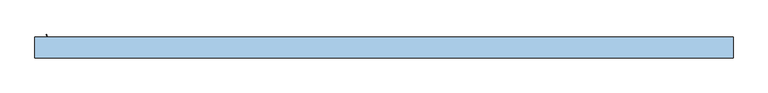
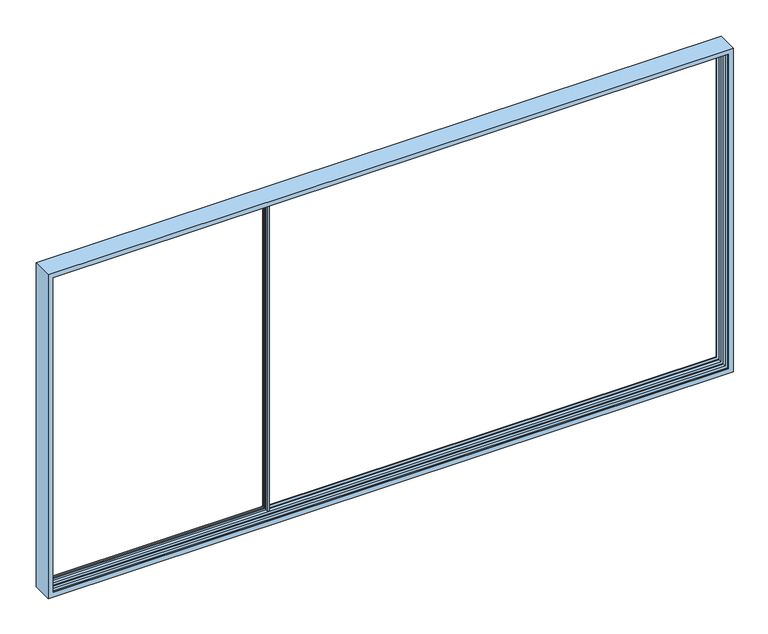
"""IFC4 building model written with IfcOpenShell, lengths in millimetres: window geometry."""

from ifc_helpers import new_model, si_unit, frame, origin, place, context, project, spatial, polyline, circle_curve, faceted_brep, source, transform, mapped, element, save
from ifc_brep_helpers import plane_surface, cylinder_surface, revolved_surface, advanced_brep


def window_8bbed00f(model_context):
    return source(origin(), model_context, "Body", "SolidModel", [
        advanced_brep(
        [(-1820.0, 71.9, 859.0), (-1820.0, 75.1, 859.0), (-1820.0, 75.1, 832.5), (-1820.0, 38.7, 832.5), (-1820.0, 38.7, 859.0), (-1820.0, 41.9, 859.0), (-1820.0, 41.9, 847.0000675), (-1820.0, 71.9, 847.0000675), (-1808.3, 71.9, 859.0), (-1808.3, 75.1, 859.0), (-1735.0, 75.1, 859.0), (-1735.0, 71.9, 859.0), (140.0, 71.9, 859.0), (140.0, 75.1, 859.0), (-1808.3, 75.1, 3741.0), (-1820.0, 75.1, 3741.0), (-1820.0, 75.1, 3765.0), (160.0, 75.1, 3765.0), (160.0, 75.1, 832.5), (140.0, 75.1, 3741.0), (-1735.0, 75.1, 3741.0), (-1737.0, 75.1, 3752.9999325), (-1742.3815605, 75.1, 3752.9999325), (-1742.3815605, 75.1, 847.0000675), (-1737.0, 75.1, 847.0000675), (160.0, 38.7, 832.5), (160.0, 38.7, 844.0), (150.0, 38.7, 844.0), (150.0, 38.7, 3756.0), (160.0, 38.7, 3756.0), (160.0, 38.7, 3765.0), (-1820.0, 38.7, 3765.0), (-1820.0, 38.7, 3741.0), (-1808.3, 38.7, 3741.0), (-1808.3, 38.7, 859.0), (-1735.0, 38.7, 859.0), (-1735.0, 38.7, 3741.0), (140.0, 38.7, 3741.0), (140.0, 38.7, 859.0), (-1742.3815605, 38.7, 3752.9999325), (-1737.0, 38.7, 3752.9999325), (-1737.0, 38.7, 847.0000675), (-1742.3815605, 38.7, 847.0000675), (-1808.3, 41.9, 859.0), (-1735.0, 41.9, 859.0), (140.0, 41.9, 859.0), (-1808.3, 41.9, 847.0000675), (152.0, 41.9, 847.0000675), (-1749.0, 41.9, 847.0000675), (-1749.0, 41.9, 3752.9999325), (152.0, 41.9, 3752.9999325), (140.0, 41.9, 3741.0), (-1735.0, 41.9, 3741.0), (-1820.0, 41.9, 3741.0), (-1820.0, 41.9, 3752.9999325), (-1808.3, 41.9, 3752.9999325), (-1808.3, 41.9, 3741.0), (-1808.3, 71.9, 847.0000675), (-1749.0, 71.9, 847.0000675), (152.0, 71.9, 847.0000675), (152.0, 71.9, 3752.9999325), (-1749.0, 71.9, 3752.9999325), (-1735.0, 71.9, 3741.0), (140.0, 71.9, 3741.0), (-1820.0, 71.9, 3752.9999325), (-1820.0, 71.9, 3741.0), (-1808.3, 71.9, 3741.0), (-1808.3, 71.9, 3752.9999325), (160.0, 12.1, 3756.0), (160.0, 12.1, 844.0), (150.0, 12.1, 3756.0), (150.0, 12.1, 844.0), (-1739.4977754, 77.2730879, 847.0000675), (-1739.4977754, 77.2730879, 3752.9999325), (-1738.126431, 82.0555341, 847.0000675), (-1738.239631, 84.0330365, 847.0000675), (-1743.9747822, 99.4432139, 847.0000675), (-1743.5, 100.1, 847.0000675), (-1740.7399611, 100.1, 847.0000675), (-1739.7836563, 99.3923717, 847.0000675), (-1735.1310857, 84.174499, 847.0000675), (-1735.1310857, 81.6176786, 847.0000675), (-1735.1310857, 32.1823214, 847.0000675), (-1735.1310857, 29.625501, 847.0000675), (-1739.7836563, 14.4076283, 847.0000675), (-1740.7399611, 13.7, 847.0000675), (-1743.5, 13.7, 847.0000675), (-1743.9747822, 14.3567861, 847.0000675), (-1738.239631, 29.7669635, 847.0000675), (-1738.126431, 31.7444659, 847.0000675), (-1739.4977754, 36.5269121, 847.0000675), (-1735.1310857, 81.6176786, 3752.9999325), (-1735.1310857, 32.1823214, 3752.9999325), (-1739.4977754, 36.5269121, 3752.9999325), (-1738.126431, 82.0555341, 3752.9999325), (-1738.239631, 84.0330365, 3752.9999325), (-1743.9747822, 99.4432139, 3752.9999325), (-1743.5, 100.1, 3752.9999325), (-1740.7399611, 100.1, 3752.9999325), (-1739.7836563, 99.3923717, 3752.9999325), (-1735.1310857, 84.174499, 3752.9999325), (-1735.1310857, 29.625501, 3752.9999325), (-1739.7836563, 14.4076283, 3752.9999325), (-1740.7399611, 13.7, 3752.9999325), (-1743.5, 13.7, 3752.9999325), (-1743.9747822, 14.3567861, 3752.9999325), (-1738.239631, 29.7669635, 3752.9999325), (-1738.126431, 31.7444659, 3752.9999325)],
        [
            (0, 1),
            (1, 2),
            (2, 3),
            (3, 4),
            (4, 5),
            (5, 6),
            (6, 7),
            (7, 0),
            (0, 8),
            (8, 9),
            (9, 1),
            (10, 11),
            (11, 12),
            (12, 13),
            (13, 10),
            (9, 14),
            (14, 15),
            (15, 16),
            (16, 17),
            (17, 18),
            (18, 2),
            (13, 19),
            (19, 20),
            (20, 10),
            (21, 22),
            (22, 23),
            (23, 24),
            (24, 21),
            (18, 25),
            (25, 3),
            (25, 26),
            (26, 27),
            (27, 28),
            (28, 29),
            (29, 30),
            (30, 31),
            (31, 32),
            (32, 33),
            (33, 34),
            (34, 4),
            (35, 36),
            (36, 37),
            (37, 38),
            (38, 35),
            (39, 40),
            (40, 41),
            (41, 42),
            (42, 39),
            (34, 43),
            (43, 5),
            (44, 35),
            (38, 45),
            (45, 44),
            (43, 46),
            (46, 6),
            (47, 48),
            (48, 49),
            (49, 50),
            (50, 47),
            (45, 51),
            (51, 52),
            (52, 44),
            (53, 54),
            (54, 55),
            (55, 56),
            (56, 53),
            (46, 57),
            (57, 7),
            (58, 48),
            (47, 59),
            (59, 58),
            (57, 8),
            (59, 60),
            (60, 61),
            (61, 58),
            (11, 62),
            (62, 63),
            (63, 12),
            (64, 65),
            (65, 66),
            (66, 67),
            (67, 64),
            (17, 30),
            (29, 68),
            (68, 69),
            (69, 26),
            (68, 70),
            (70, 71),
            (71, 69),
            (71, 27),
            (33, 56),
            (55, 67),
            (66, 14),
            (20, 62),
            (63, 19),
            (72, 23, circle_curve(frame((-1742.3815605, 78.1, 847.0000675), z_axis=(0.0, 0.0, -1.0), x_axis=(-1.0, 0.0, 0.0)), 3.0)),
            (22, 73, circle_curve(frame((-1742.3815605, 78.1, 3752.9999325), z_axis=(0.0, 0.0, 1.0), x_axis=(-1.0, 0.0, 0.0)), 3.0)),
            (73, 72),
            (72, 74),
            (74, 75, circle_curve(frame((-1741.0102161, 82.8824462, 847.0000675), z_axis=(0.0, 0.0, 1.0), x_axis=(-1.0, 0.0, 0.0)), 3.0)),
            (75, 76, circle_curve(frame((-1534.8068415, 168.5162025, 847.0000675), z_axis=(0.0, 0.0, -1.0), x_axis=(-1.0, 0.0, 0.0)), 220.2777909)),
            (76, 77, circle_curve(frame((-1743.5, 99.6, 847.0000675), z_axis=(0.0, 0.0, -1.0), x_axis=(-1.0, 0.0, 0.0)), 0.5)),
            (77, 78),
            (78, 79, circle_curve(frame((-1740.7399611, 99.1, 847.0000675), z_axis=(0.0, 0.0, -1.0), x_axis=(-1.0, 0.0, 0.0)), 1.0)),
            (79, 80),
            (80, 81, circle_curve(frame((-1739.5894319, 82.8960888, 847.0000675), z_axis=(0.0, 0.0, -1.0), x_axis=(-1.0, 0.0, 0.0)), 4.638015)),
            (81, 24),
            (41, 82),
            (82, 83, circle_curve(frame((-1739.5894319, 30.9039112, 847.0000675), z_axis=(0.0, 0.0, -1.0), x_axis=(-1.0, 0.0, 0.0)), 4.638015)),
            (83, 84),
            (84, 85, circle_curve(frame((-1740.7399611, 14.7, 847.0000675), z_axis=(0.0, 0.0, -1.0), x_axis=(-1.0, 0.0, 0.0)), 1.0)),
            (85, 86),
            (86, 87, circle_curve(frame((-1743.5, 14.2, 847.0000675), z_axis=(0.0, 0.0, -1.0), x_axis=(-1.0, 0.0, 0.0)), 0.5)),
            (87, 88, circle_curve(frame((-1534.8068415, -54.7162025, 847.0000675), z_axis=(0.0, 0.0, -1.0), x_axis=(-1.0, 0.0, 0.0)), 220.2777909)),
            (88, 89, circle_curve(frame((-1741.0102161, 30.9175538, 847.0000675), z_axis=(0.0, 0.0, 1.0), x_axis=(-1.0, 0.0, 0.0)), 3.0)),
            (89, 90),
            (90, 42, circle_curve(frame((-1742.3815605, 35.7, 847.0000675), z_axis=(0.0, 0.0, 1.0), x_axis=(-1.0, 0.0, 0.0)), 3.0)),
            (81, 91),
            (91, 21),
            (70, 28),
            (52, 36),
            (37, 51),
            (40, 92),
            (92, 82),
            (90, 93),
            (93, 39, circle_curve(frame((-1742.3815605, 35.7, 3752.9999325), z_axis=(0.0, 0.0, 1.0), x_axis=(-1.0, 0.0, 0.0)), 3.0)),
            (61, 49),
            (50, 60),
            (73, 94),
            (94, 74),
            (94, 95, circle_curve(frame((-1741.0102161, 82.8824462, 3752.9999325), z_axis=(0.0, 0.0, 1.0), x_axis=(-1.0, 0.0, 0.0)), 3.0)),
            (95, 75),
            (95, 96, circle_curve(frame((-1534.8068415, 168.5162025, 3752.9999325), z_axis=(0.0, 0.0, -1.0), x_axis=(-1.0, 0.0, 0.0)), 220.2777909)),
            (96, 76),
            (96, 97, circle_curve(frame((-1743.5, 99.6, 3752.9999325), z_axis=(0.0, 0.0, -1.0), x_axis=(-1.0, 0.0, 0.0)), 0.5)),
            (97, 77),
            (97, 98),
            (98, 78),
            (98, 99, circle_curve(frame((-1740.7399611, 99.1, 3752.9999325), z_axis=(0.0, 0.0, -1.0), x_axis=(-1.0, 0.0, 0.0)), 1.0)),
            (99, 79),
            (99, 100),
            (100, 80),
            (100, 91, circle_curve(frame((-1739.5894319, 82.8960888, 3752.9999325), z_axis=(0.0, 0.0, -1.0), x_axis=(-1.0, 0.0, 0.0)), 4.638015)),
            (92, 101, circle_curve(frame((-1739.5894319, 30.9039112, 3752.9999325), z_axis=(0.0, 0.0, -1.0), x_axis=(-1.0, 0.0, 0.0)), 4.638015)),
            (101, 83),
            (101, 102),
            (102, 84),
            (102, 103, circle_curve(frame((-1740.7399611, 14.7, 3752.9999325), z_axis=(0.0, 0.0, -1.0), x_axis=(-1.0, 0.0, 0.0)), 1.0)),
            (103, 85),
            (103, 104),
            (104, 86),
            (104, 105, circle_curve(frame((-1743.5, 14.2, 3752.9999325), z_axis=(0.0, 0.0, -1.0), x_axis=(-1.0, 0.0, 0.0)), 0.5)),
            (105, 87),
            (105, 106, circle_curve(frame((-1534.8068415, -54.7162025, 3752.9999325), z_axis=(0.0, 0.0, -1.0), x_axis=(-1.0, 0.0, 0.0)), 220.2777909)),
            (106, 88),
            (106, 107, circle_curve(frame((-1741.0102161, 30.9175538, 3752.9999325), z_axis=(0.0, 0.0, 1.0), x_axis=(-1.0, 0.0, 0.0)), 3.0)),
            (107, 89),
            (107, 93),
            (16, 31),
            (65, 15),
            (64, 54),
            (53, 32),
        ],
        [
            plane_surface(frame((-1820.0, 75.1, 859.0), z_axis=(-1.0, 0.0, 0.0), x_axis=(0.0, 1.0, 0.0))),
            plane_surface(frame((-1820.0, 71.9, 859.0), z_axis=(0.0, 0.0, 1.0), x_axis=(1.0, 0.0, 0.0))),
            plane_surface(frame((-1820.0, 75.1, 859.0), z_axis=(0.0, 1.0, 0.0), x_axis=(1.0, 0.0, 0.0))),
            plane_surface(frame((-1820.0, 75.1, 832.5), z_axis=(0.0, 0.0, -1.0), x_axis=(1.0, 0.0, 0.0))),
            plane_surface(frame((-1820.0, 38.7, 832.5), z_axis=(0.0, -1.0, 0.0), x_axis=(1.0, 0.0, 0.0))),
            plane_surface(frame((-1820.0, 38.7, 859.0), z_axis=(0.0, 0.0, 1.0), x_axis=(1.0, 0.0, 0.0))),
            plane_surface(frame((-1820.0, 41.9, 859.0), z_axis=(0.0, 1.0, 0.0), x_axis=(1.0, 0.0, 0.0))),
            plane_surface(frame((-1820.0, 41.9, 847.0000675), z_axis=(0.0, 0.0, 1.0), x_axis=(1.0, 0.0, 0.0))),
            plane_surface(frame((-1820.0, 71.9, 847.0000675), z_axis=(0.0, -1.0, 0.0), x_axis=(1.0, 0.0, 0.0))),
            plane_surface(frame((160.0, 75.1, 859.0), z_axis=(1.0, 0.0, 0.0), x_axis=(0.0, -1.0, 0.0))),
            plane_surface(frame((150.0, 12.1, 3756.0), z_axis=(0.0, -1.0, 0.0), x_axis=(0.0, 0.0, -1.0))),
            plane_surface(frame((140.0, 75.1, 844.0), z_axis=(0.0, 0.0, -1.0), x_axis=(1.0, 0.0, 0.0))),
            plane_surface(frame((-1808.3, 38.7, 847.0000675), z_axis=(-1.0, 0.0, 0.0), x_axis=(0.0, 0.0, 1.0))),
            plane_surface(frame((-1735.0, 75.1, 847.0000675), z_axis=(1.0, 0.0, 0.0), x_axis=(0.0, 0.0, 1.0))),
            plane_surface(frame((140.0, 75.1, 3756.0), z_axis=(-1.0, 0.0, 0.0), x_axis=(0.0, 0.0, -1.0))),
            revolved_surface(polyline([(-1745.3815605, 78.1, 3752.9999325), (-1745.3815605, 78.1, 847.0000675)]), (-1742.3815605, 78.1, 847.0000675), (0.0, 0.0, 1.0)),
            plane_surface(frame((-1735.0, 100.0, 847.0000675), z_axis=(0.0, 0.0, -1.0), x_axis=(0.0, -1.0, 0.0))),
            plane_surface(frame((-1735.1310857, 81.6176786, 847.0000675), z_axis=(0.9612616959382515, -0.27563735581723436, 0.0), x_axis=(0.0, 0.0, 1.0))),
            plane_surface(frame((150.0, 38.7, 3756.0), z_axis=(-1.0, 0.0, 0.0), x_axis=(0.0, 0.0, -1.0))),
            plane_surface(frame((-1735.0, 41.9, 847.0000675), z_axis=(1.0, 0.0, 0.0), x_axis=(0.0, 0.0, 1.0))),
            plane_surface(frame((140.0, 41.9, 3756.0), z_axis=(-1.0, 0.0, 0.0), x_axis=(0.0, 0.0, -1.0))),
            plane_surface(frame((-1737.0, 38.7, 847.0000675), z_axis=(0.9612616959382999, 0.27563735581706544, 0.0), x_axis=(0.0, 0.0, 1.0))),
            revolved_surface(polyline([(-1745.3815605, 35.7, 3752.9999325), (-1745.3815605, 35.7, 847.0000675)]), (-1742.3815605, 35.7, 847.0000675), (0.0, 0.0, 1.0)),
            plane_surface(frame((-1749.0, 71.9, 847.0000675), z_axis=(1.0, 0.0, 0.0), x_axis=(0.0, 0.0, 1.0))),
            plane_surface(frame((152.0, 71.9, 3756.0), z_axis=(-1.0, 0.0, 0.0), x_axis=(0.0, 0.0, -1.0))),
            plane_surface(frame((-1739.4977754, 77.2730879, 847.0000675), z_axis=(-0.9612616959383302, 0.27563735581695953, 0.0), x_axis=(0.0, 0.0, 1.0))),
            revolved_surface(polyline([(-1744.0102161, 82.8824462, 3752.9999325), (-1744.0102161, 82.8824462, 847.0000675)]), (-1741.0102161, 82.8824462, 847.0000675), (0.0, 0.0, 1.0)),
            cylinder_surface(frame((-1534.8068415, 168.5162025, 847.0000675), z_axis=(0.0, 0.0, -1.0), x_axis=(-1.0, 0.0, 0.0)), 220.2777909),
            cylinder_surface(frame((-1743.5, 99.6, 847.0000675), z_axis=(0.0, 0.0, -1.0), x_axis=(-1.0, 0.0, 0.0)), 0.5),
            plane_surface(frame((-1743.5, 100.1, 847.0000675), z_axis=(0.0, 1.0, 0.0), x_axis=(0.0, 0.0, 1.0))),
            cylinder_surface(frame((-1740.7399611, 99.1, 847.0000675), z_axis=(0.0, 0.0, -1.0), x_axis=(-1.0, 0.0, 0.0)), 1.0),
            plane_surface(frame((-1739.7836563, 99.3923717, 847.0000675), z_axis=(0.9563047559631117, 0.2923717047224876, 0.0), x_axis=(0.0, 0.0, 1.0))),
            cylinder_surface(frame((-1739.5894319, 82.8960888, 847.0000675), z_axis=(0.0, 0.0, -1.0), x_axis=(-1.0, 0.0, 0.0)), 4.638015),
            cylinder_surface(frame((-1739.5894319, 30.9039112, 847.0000675), z_axis=(0.0, 0.0, -1.0), x_axis=(-1.0, 0.0, 0.0)), 4.638015),
            plane_surface(frame((-1735.1310857, 29.625501, 847.0000675), z_axis=(0.9563047559631029, -0.2923717047225163, 0.0), x_axis=(0.0, 0.0, 1.0))),
            cylinder_surface(frame((-1740.7399611, 14.7, 847.0000675), z_axis=(0.0, 0.0, -1.0), x_axis=(-1.0, 0.0, 0.0)), 1.0),
            plane_surface(frame((-1740.7399611, 13.7, 847.0000675), z_axis=(0.0, -1.0, 0.0), x_axis=(0.0, 0.0, 1.0))),
            cylinder_surface(frame((-1743.5, 14.2, 847.0000675), z_axis=(0.0, 0.0, -1.0), x_axis=(-1.0, 0.0, 0.0)), 0.5),
            cylinder_surface(frame((-1534.8068415, -54.7162025, 847.0000675), z_axis=(0.0, 0.0, -1.0), x_axis=(-1.0, 0.0, 0.0)), 220.2777909),
            revolved_surface(polyline([(-1744.0102161, 30.9175538, 3752.9999325), (-1744.0102161, 30.9175538, 847.0000675)]), (-1741.0102161, 30.9175538, 847.0000675), (0.0, 0.0, 1.0)),
            plane_surface(frame((-1738.126431, 31.7444659, 847.0000675), z_axis=(-0.9612616959387865, -0.27563735581536847, 0.0), x_axis=(0.0, 0.0, 1.0))),
            plane_surface(frame((-1820.0, 38.7, 3765.0), z_axis=(0.0, 0.0, 1.0), x_axis=(1.0, 0.0, 0.0))),
            plane_surface(frame((140.0, 75.1, 3756.0), z_axis=(0.0, 0.0, 1.0), x_axis=(-1.0, 0.0, 0.0))),
            plane_surface(frame((-1820.0, 75.1, 3741.0), z_axis=(0.0, 0.0, -1.0), x_axis=(1.0, 0.0, 0.0))),
            plane_surface(frame((-1820.0, 75.1, 3765.0), z_axis=(-1.0, 0.0, 0.0), x_axis=(0.0, 1.0, 0.0))),
            plane_surface(frame((-1735.0, 100.0, 3752.9999325), z_axis=(0.0, 0.0, 1.0), x_axis=(0.0, -1.0, 0.0))),
            plane_surface(frame((-1820.0, 41.9, 3741.0), z_axis=(0.0, 0.0, -1.0), x_axis=(1.0, 0.0, 0.0))),
            plane_surface(frame((-1820.0, 71.9, 3752.9999325), z_axis=(0.0, 0.0, -1.0), x_axis=(1.0, 0.0, 0.0))),
        ],
        [
            (0, [[1, 2, 3, 4, 5, 6, 7, 8]]),
            (1, [[-1, 9, 10, 11]]),
            (1, [[12, 13, 14, 15]]),
            (2, [[-2, -11, 16, 17, 18, 19, 20, 21], [22, 23, 24, -15], [25, 26, 27, 28]]),
            (3, [[-3, -21, 29, 30]]),
            (4, [[-4, -30, 31, 32, 33, 34, 35, 36, 37, 38, 39, 40], [41, 42, 43, 44], [45, 46, 47, 48]]),
            (5, [[-5, -40, 49, 50]]),
            (5, [[51, -44, 52, 53]]),
            (6, [[-6, -50, 54, 55]]),
            (6, [[56, 57, 58, 59], [-53, 60, 61, 62]]),
            (6, [[63, 64, 65, 66]]),
            (7, [[-7, -55, 67, 68]]),
            (7, [[69, -56, 70, 71]]),
            (8, [[-8, -68, 72, -9]]),
            (8, [[-71, 73, 74, 75], [-13, 76, 77, 78]]),
            (8, [[79, 80, 81, 82]]),
            (9, [[-29, -20, 83, -35, 84, 85, 86, -31]]),
            (10, [[87, 88, 89, -85]]),
            (11, [[-89, 90, -32, -86]]),
            (12, [[-10, -72, -67, -54, -49, -39, 91, -65, 92, -81, 93, -16]]),
            (13, [[-12, -24, 94, -76]]),
            (14, [[-14, -78, 95, -22]]),
            (15, [[96, -26, 97, 98]]),
            (16, [[-96, 99, 100, 101, 102, 103, 104, 105, 106, 107, -27]]),
            (16, [[108, 109, 110, 111, 112, 113, 114, 115, 116, 117, -47]]),
            (17, [[-28, -107, 118, 119]]),
            (18, [[120, -33, -90, -88]]),
            (19, [[-51, -62, 121, -41]]),
            (20, [[-52, -43, 122, -60]]),
            (21, [[-108, -46, 123, 124]]),
            (22, [[-48, -117, 125, 126]]),
            (23, [[-57, -69, -75, 127]]),
            (24, [[-73, -70, -59, 128]]),
            (25, [[-99, -98, 129, 130]]),
            (26, [[-100, -130, 131, 132]]),
            (27, [[-101, -132, 133, 134]]),
            (28, [[-102, -134, 135, 136]]),
            (29, [[-103, -136, 137, 138]]),
            (30, [[-104, -138, 139, 140]]),
            (31, [[-105, -140, 141, 142]]),
            (32, [[-106, -142, 143, -118]]),
            (33, [[-109, -124, 144, 145]]),
            (34, [[-110, -145, 146, 147]]),
            (35, [[-111, -147, 148, 149]]),
            (36, [[-112, -149, 150, 151]]),
            (37, [[-113, -151, 152, 153]]),
            (38, [[-114, -153, 154, 155]]),
            (39, [[-115, -155, 156, 157]]),
            (40, [[-116, -157, 158, -125]]),
            (41, [[159, -36, -83, -19]]),
            (42, [[-120, -87, -84, -34]]),
            (43, [[160, -17, -93, -80]]),
            (43, [[-77, -94, -23, -95]]),
            (44, [[-159, -18, -160, -79, 161, -63, 162, -37]]),
            (45, [[-126, -158, -156, -154, -152, -150, -148, -146, -144, -123, -45]]),
            (45, [[-119, -143, -141, -139, -137, -135, -133, -131, -129, -97, -25]]),
            (46, [[-42, -121, -61, -122]]),
            (46, [[-162, -66, -91, -38]]),
            (47, [[-161, -82, -92, -64]]),
            (47, [[-74, -128, -58, -127]]),
        ],
    ),
        faceted_brep([(-1820.8, 78.1, 3780.8), (-1820.8, 36.0404735, 3780.8), (-1820.8, 36.0404735, 819.2), (-1820.8, 78.1, 819.2), (4140.8, 36.0404735, 819.2), (4140.8, 78.1, 819.2), (4140.8, 36.0404735, 3780.8), (4116.0, 36.0404735, 844.0), (4116.0, 36.0404735, 3756.0), (-1796.0, 36.0404735, 3756.0), (-1796.0, 36.0404735, 844.0), (4140.8, 78.1, 3780.8), (-1796.0, 78.1, 844.0), (-1796.0, 78.1, 3756.0), (4116.0, 78.1, 3756.0), (4116.0, 78.1, 844.0), (-1796.0, 81.8, 3756.0), (-1796.0, 81.8, 844.0), (4116.0, 81.8, 844.0), (4116.0, 81.8, 3756.0), (-1840.0, 81.8, 800.0), (-1840.0, 81.8, 3800.0), (4160.0, 81.8, 3800.0), (4160.0, 81.8, 800.0), (-1840.0, -100.0, 3800.0), (-1840.0, -100.0, 800.0), (4160.0, -100.0, 800.0), (4160.0, -100.0, 3800.0), (-1796.0, -100.0, 844.0), (-1796.0, -100.0, 3756.0), (4116.0, -100.0, 3756.0), (4116.0, -100.0, 844.0), (-1796.0, -96.3, 3756.0), (-1796.0, -96.3, 844.0), (4116.0, -96.3, 844.0), (4116.0, -96.3, 3756.0), (-1820.8642152, -96.3, 819.1357848), (-1820.8642152, -96.3, 3780.8642152), (4140.8642152, -96.3, 3780.8642152), (4140.8642152, -96.3, 819.1357848), (-1820.5221068, 12.1, 3780.5221068), (-1820.5221068, -30.3, 3780.5221068), (-1820.5221068, -30.3, 819.4778932), (-1820.5221068, 12.1, 819.4778932), (4140.5221068, -30.3, 819.4778932), (4140.5221068, 12.1, 819.4778932), (4140.5221068, -30.3, 3780.5221068), (-1796.0417424, -30.3, 3756.0417424), (-1796.0417424, -30.3, 843.9582576), (4116.0417424, -30.3, 843.9582576), (4116.0417424, -30.3, 3756.0417424), (4140.5221068, 12.1, 3780.5221068), (-1796.0, 12.1, 844.0), (-1796.0, 12.1, 3756.0), (4116.0, 12.1, 3756.0), (4116.0, 12.1, 844.0), (-1820.8642152, -53.6, 3780.8642152), (-1820.8642152, -53.6, 819.1357848), (4140.8642152, -53.6, 819.1357848), (4140.8642152, -53.6, 3780.8642152), (4116.0417424, -53.6, 3756.0417424), (4116.0417424, -53.6, 843.9582576), (-1796.0417424, -53.6, 843.9582576), (-1796.0417424, -53.6, 3756.0417424)], [[[0, 1, 2, 3]], [[3, 2, 4, 5]], [[2, 1, 6, 4], [7, 8, 9, 10]], [[5, 4, 6, 11]], [[3, 5, 11, 0], [12, 13, 14, 15]], [[16, 13, 12, 17]], [[17, 12, 15, 18]], [[18, 15, 14, 19]], [[20, 21, 22, 23], [17, 18, 19, 16]], [[24, 21, 20, 25]], [[25, 20, 23, 26]], [[26, 23, 22, 27]], [[25, 26, 27, 24], [28, 29, 30, 31]], [[32, 29, 28, 33]], [[33, 28, 31, 34]], [[34, 31, 30, 35]], [[36, 37, 38, 39], [34, 35, 32, 33]], [[40, 41, 42, 43]], [[43, 42, 44, 45]], [[46, 44, 42, 41], [47, 48, 49, 50]], [[45, 44, 46, 51]], [[45, 51, 40, 43], [52, 53, 54, 55]], [[9, 53, 52, 10]], [[10, 52, 55, 7]], [[7, 55, 54, 8]], [[56, 37, 36, 57]], [[58, 39, 38, 59]], [[57, 36, 39, 58]], [[56, 57, 58, 59], [60, 61, 62, 63]], [[47, 63, 62, 48]], [[48, 62, 61, 49]], [[49, 61, 60, 50]], [[11, 6, 1, 0]], [[19, 14, 13, 16]], [[27, 22, 21, 24]], [[35, 30, 29, 32]], [[51, 46, 41, 40]], [[8, 54, 53, 9]], [[59, 38, 37, 56]], [[50, 60, 63, 47]]]),
    ])


if __name__ == "__main__":
    model = new_model("IFC4")
    model_context = context("Model", 3, world=origin())
    ifc_project = project(units=[si_unit("LENGTHUNIT", "METRE", prefix="MILLI")], contexts=[model_context])
    site = spatial("IfcSite", under=ifc_project)
    building = spatial("IfcBuilding", under=site)
    placement = place(None, origin())
    window_shape = window_8bbed00f(model_context)
    element("IfcWindow", 1, at=placement, inside=building, context=model_context, shape_type="MappedRepresentation", body=[
        mapped(window_shape, transform((0.0, 0.0, 0.0), x_axis=(1.0, 0.0, 0.0), y_axis=(0.0, 1.0, 0.0), z_axis=(0.0, 0.0, 1.0))),
    ])
    save(model, "model.ifc")
